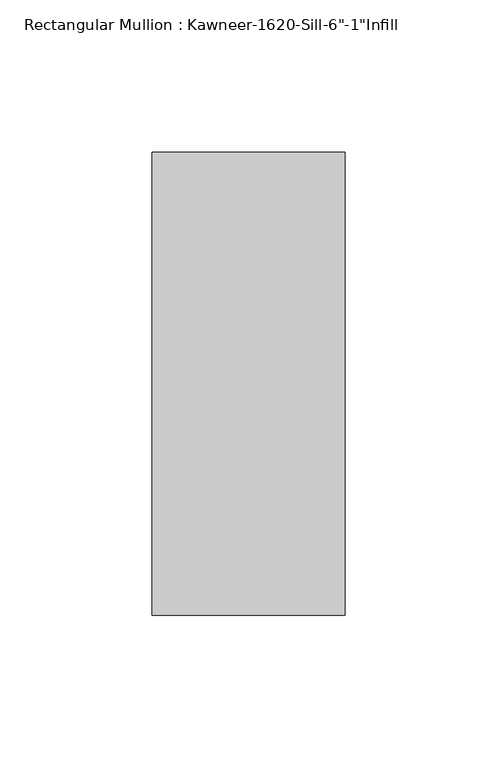
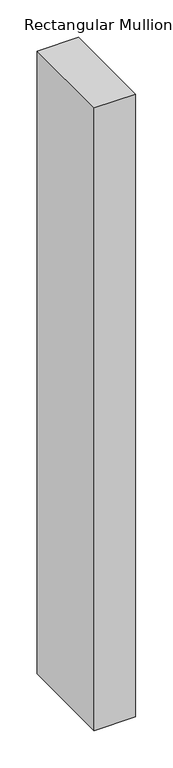
"""IFC4 building model written with IfcOpenShell, lengths in millimetres: member geometry."""

import ifcopenshell
import ifcopenshell.guid

model = None  # the IFC model being written
_history = None  # IfcOwnerHistory: only IFC2X3 demands one
_inside = {}  # id of a spatial element -> (the spatial element, [elements in it])
_under = {}  # id of a project, library or spatial element -> (it, [spatial elements below it])
_declared = {}  # id of a project -> (the project, [libraries it declares])
_typed = {}  # id of a type object -> (the type object, [elements of that type])
_made_of = {}  # id of a material, layer set ... -> (it, [elements and type objects made of it])


def new_model(schema):
    """Start an empty IFC model of exactly this schema.

    Asked for "IFC4X3", IfcOpenShell would pick the latest addendum, in which some entities
    have other attributes; the version numbers below select the first issue.
    IFC2X3 requires an IfcOwnerHistory on every rooted entity: one is made here for all.
    """
    global model, _history
    if schema == "IFC4X3":
        model = ifcopenshell.file(schema_version=(4, 3, 0, 0))
    else:
        model = ifcopenshell.file(schema=schema)
    _inside.clear()
    _under.clear()
    _declared.clear()
    _typed.clear()
    _made_of.clear()
    _history = None
    if model.schema == "IFC2X3":
        org = make("IfcOrganization", Name="unknown")
        user = make(
            "IfcPersonAndOrganization",
            ThePerson=make("IfcPerson", FamilyName="unknown"),
            TheOrganization=org,
        )
        app = make(
            "IfcApplication",
            ApplicationDeveloper=org,
            Version="unknown",
            ApplicationFullName="unknown",
            ApplicationIdentifier="unknown",
        )
        _history = make(
            "IfcOwnerHistory",
            OwningUser=user,
            OwningApplication=app,
            ChangeAction="ADDED",
            CreationDate=0,
        )
    return model


def make(cls, **values):
    """One entity of the class cls with the attributes given. An attribute that is None is left unset."""
    return model.create_entity(
        cls, **{name: value for name, value in values.items() if value is not None}
    )


def rooted(cls, **values):
    """An entity with a GlobalId (a new one), such as an element, a storey or a relation."""
    return make(cls, GlobalId=ifcopenshell.guid.new(), OwnerHistory=_history, **values)


def si_unit(unit_type, name, prefix=None):
    """IfcSIUnit, for example si_unit("LENGTHUNIT", "METRE", prefix="MILLI")."""
    return make("IfcSIUnit", UnitType=unit_type, Prefix=prefix, Name=name)


def assignment(units):
    """IfcUnitAssignment: the units of a project."""
    return None if units is None else make("IfcUnitAssignment", Units=units)


def point(xyz):
    """IfcCartesianPoint."""
    return None if xyz is None else make("IfcCartesianPoint", Coordinates=xyz)


def direction(xyz):
    """IfcDirection."""
    return None if xyz is None else make("IfcDirection", DirectionRatios=xyz)


def frame(location, z_axis=None, x_axis=None):
    """IfcAxis2Placement3D, a coordinate frame: its origin and axes. An axis left out is left unset."""
    return make(
        "IfcAxis2Placement3D",
        Location=point(location),
        Axis=direction(z_axis),
        RefDirection=direction(x_axis),
    )


def origin():
    """The frame at (0, 0, 0) with its axes left unset."""
    return frame((0.0, 0.0, 0.0))


def place(relative_to, where):
    """IfcLocalPlacement: puts the frame where relative to a parent placement (None: the world)."""
    return make(
        "IfcLocalPlacement", PlacementRelTo=relative_to, RelativePlacement=where
    )


def context(
    kind, dimensions, precision=None, world=None, true_north=None, identifier=None
):
    """IfcGeometricRepresentationContext, for example the 3D "Model" context."""
    return make(
        "IfcGeometricRepresentationContext",
        ContextIdentifier=identifier,
        ContextType=kind,
        CoordinateSpaceDimension=dimensions,
        Precision=precision,
        WorldCoordinateSystem=world,
        TrueNorth=true_north,
    )


def project(units=None, contexts=None):
    """IfcProject with its units and contexts."""
    return rooted(
        "IfcProject",
        Name="project",
        RepresentationContexts=contexts,
        UnitsInContext=assignment(units),
    )


def spatial(cls, under=None, at=None, **own):
    """A site, building, storey or space (cls), placed at a placement, below another one or the project."""
    s = rooted(cls, ObjectPlacement=at, **own)
    if under is not None:
        _under.setdefault(under.id(), (under, []))[1].append(s)
    return s


def polyline(points):
    """IfcPolyline through the points."""
    return make("IfcPolyline", Points=[point(p) for p in points])


def outline(outer, holes=None, kind="AREA"):
    """IfcArbitraryClosedProfileDef: a profile drawn as a closed curve; with holes, ...WithVoids."""
    if holes is None:
        return make("IfcArbitraryClosedProfileDef", ProfileType=kind, OuterCurve=outer)
    return make(
        "IfcArbitraryProfileDefWithVoids",
        ProfileType=kind,
        OuterCurve=outer,
        InnerCurves=holes,
    )


def extrude(swept, where, along, depth):
    """IfcExtrudedAreaSolid: the profile swept, set in the frame where, extruded along a direction by depth."""
    return make(
        "IfcExtrudedAreaSolid",
        SweptArea=swept,
        Position=where,
        ExtrudedDirection=direction(along),
        Depth=depth,
    )


def shape(context_of_items, identifier, shape_type, items):
    """IfcShapeRepresentation: the items that make up one representation, for example the "Body"."""
    return make(
        "IfcShapeRepresentation",
        ContextOfItems=context_of_items,
        RepresentationIdentifier=identifier,
        RepresentationType=shape_type,
        Items=items,
    )


def source(mapping_origin, context_of_items, identifier, shape_type, items):
    """IfcRepresentationMap: a shape defined once, which mapped items show again and again."""
    return make(
        "IfcRepresentationMap",
        MappingOrigin=mapping_origin,
        MappedRepresentation=shape(context_of_items, identifier, shape_type, items),
    )


def transform(
    local_origin,
    x_axis=None,
    y_axis=None,
    z_axis=None,
    scale=None,
    scale2=None,
    scale3=None,
    uniform=True,
):
    """IfcCartesianTransformationOperator3D, or its non-uniform kind. x_axis, y_axis, z_axis: its Axis1, 2, 3."""
    if uniform:
        return make(
            "IfcCartesianTransformationOperator3D",
            Axis1=direction(x_axis),
            Axis2=direction(y_axis),
            LocalOrigin=point(local_origin),
            Scale=scale,
            Axis3=direction(z_axis),
        )
    return make(
        "IfcCartesianTransformationOperator3DnonUniform",
        Axis1=direction(x_axis),
        Axis2=direction(y_axis),
        LocalOrigin=point(local_origin),
        Scale=scale,
        Axis3=direction(z_axis),
        Scale2=scale2,
        Scale3=scale3,
    )


def mapped(mapping_source, mapping_target):
    """IfcMappedItem: shows the shape of a source again, moved by a transform."""
    return make(
        "IfcMappedItem", MappingSource=mapping_source, MappingTarget=mapping_target
    )


def made_of(thing, what):
    """Note that an element or type object is made of a material, layer set ...; save() writes the relation."""
    if what is not None:
        _made_of.setdefault(what.id(), (what, []))[1].append(thing)
    return thing


def element(
    cls,
    number,
    at=None,
    inside=None,
    cuts=None,
    type_object=None,
    material=None,
    context=None,
    identifier="Body",
    shape_type=None,
    held_by="IfcProductDefinitionShape",
    body=None,
    shapes=None,
    **own,
):
    """One element of the class cls, such as IfcWall. Its Tag is "e" and its number.

    at: its placement. inside: the storey or other place that contains it. cuts: it is an
    opening in that element (IfcRelVoidsElement). A single representation is given by context,
    identifier, shape_type and body (its items); several are given by shapes. held_by: the class
    of the entity that holds the representations. save() writes the other relations.
    """
    e = rooted(cls, Tag="e%d" % number, ObjectPlacement=at, **own)
    if body is not None:
        shapes = [shape(context, identifier, shape_type, body)]
    if shapes is not None:
        e.Representation = make(held_by, Representations=shapes)
    if inside is not None:
        _inside.setdefault(inside.id(), (inside, []))[1].append(e)
    if cuts is not None:
        rooted(
            "IfcRelVoidsElement", RelatingBuildingElement=cuts, RelatedOpeningElement=e
        )
    if type_object is not None:
        _typed.setdefault(type_object.id(), (type_object, []))[1].append(e)
    return made_of(e, material)


def aggregate(whole, parts):
    """IfcRelAggregates: a whole, such as a stair, and the parts it consists of."""
    return rooted("IfcRelAggregates", RelatingObject=whole, RelatedObjects=parts)


def save(model, path):
    """Write the relations noted so far, then the file.

    IfcRelAggregates (storeys below a building ...), IfcRelContainedInSpatialStructure (elements
    in a storey), IfcRelDefinesByType, IfcRelAssociatesMaterial and IfcRelDeclares: one each for
    every whole, place, type object, material and project.
    """
    for whole, parts in _under.values():
        aggregate(whole, parts)
    for where, things in _inside.values():
        rooted(
            "IfcRelContainedInSpatialStructure",
            RelatedElements=things,
            RelatingStructure=where,
        )
    for kind, things in _typed.values():
        rooted("IfcRelDefinesByType", RelatedObjects=things, RelatingType=kind)
    for what, things in _made_of.values():
        rooted("IfcRelAssociatesMaterial", RelatedObjects=things, RelatingMaterial=what)
    for by, libraries in _declared.values():
        rooted("IfcRelDeclares", RelatingContext=by, RelatedDefinitions=libraries)
    model.write(path)


def member_fe05e2f6(model_context):
    return source(origin(), model_context, "Body", "SweptSolid", [
        extrude(outline(polyline([(-63.5, -38.1), (-63.5, 114.3), (0.0, 114.3), (0.0, -38.1), (-63.5, -38.1)])), frame((0.0, 0.0, -1016.0934633), z_axis=(0.0, 0.0, 1.0), x_axis=(1.0, 0.0, 0.0)), (0.0, 0.0, 1.0), 1016.0934633),
    ])


if __name__ == "__main__":
    model = new_model("IFC4")
    model_context = context("Model", 3, world=origin())
    ifc_project = project(units=[si_unit("LENGTHUNIT", "METRE", prefix="MILLI")], contexts=[model_context])
    site = spatial("IfcSite", under=ifc_project)
    building = spatial("IfcBuilding", under=site)
    placement = place(None, origin())
    member_shape = member_fe05e2f6(model_context)
    element("IfcMember", 1, ObjectType="Rectangular Mullion : Kawneer-1620-Sill-6\"-1\"Infill", at=placement, inside=building, context=model_context, shape_type="MappedRepresentation", body=[
        mapped(member_shape, transform((0.0, 0.0, 0.0), x_axis=(1.0, 0.0, 0.0), y_axis=(0.0, 1.0, 0.0), z_axis=(0.0, 0.0, 1.0))),
    ])
    save(model, "model.ifc")
